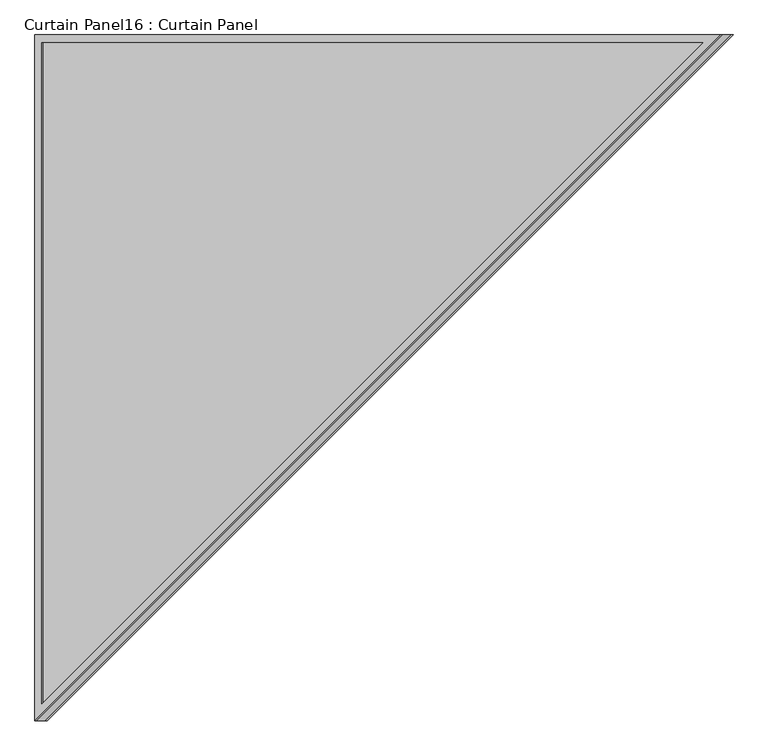
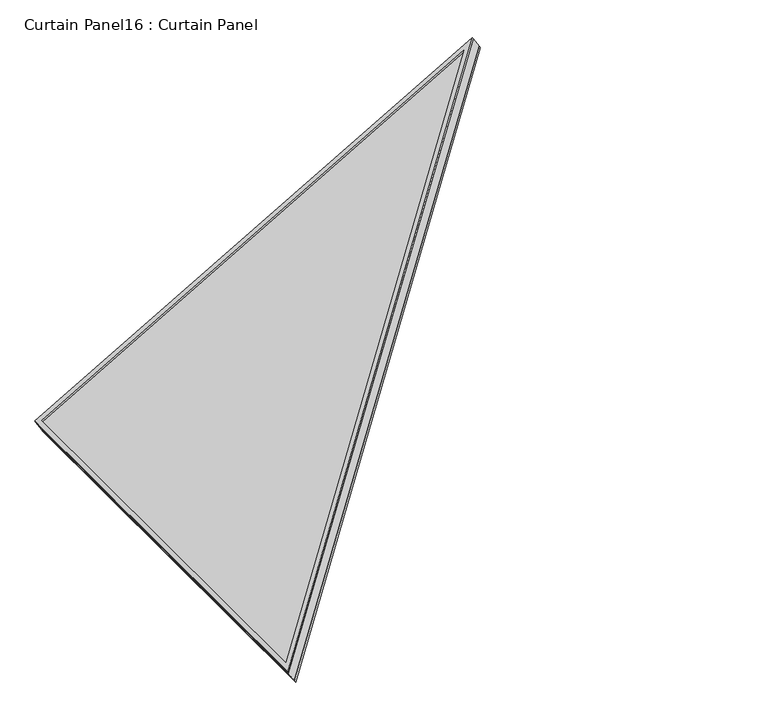
"""IFC4 building model written with IfcOpenShell, lengths in millimetres: plate geometry, Curtain Panel16 : Curtain Panel."""

from ifc_helpers import new_model, si_unit, frame, origin, place, context, project, spatial, polyline, outline, extrude, source, transform, mapped, element, save


def curtain_panel16_curtain_panel_4534c582(model_context):
    return source(origin(), model_context, "Body", "SweptSolid", [
        extrude(outline(polyline([(1284.5558134, -12.7), (-34.0642674, -12.7), (1284.5558134, 1129.2584878), (1284.5558134, -12.7)]), holes=[polyline([(1271.8558134, 0.0), (1271.8558134, 1101.4594444), (0.0, 0.0), (1271.8558134, 0.0)])]), frame((-10852.9904011, 6049.8537369, 637.5920597), z_axis=(-0.49999999999999944, 0.0, 0.866025403784439), x_axis=(-0.866025403784439, 0.0, -0.49999999999999944)), (0.0, 0.0, 1.0), 4.8169213),
        extrude(outline(polyline([(1284.5558134, -12.7), (-34.0642673, -12.7), (1284.5558134, 1129.2584878), (1284.5558134, -12.7)]), holes=[polyline([(1271.8558134, 0.0), (1271.8558134, 1101.4594444), (0.0, 0.0), (1271.8558134, 0.0)])]), frame((-10834.5629242, 6049.8537369, 605.6747336), z_axis=(-0.49999999999999944, 0.0, 0.866025403784439), x_axis=(-0.866025403784439, 0.0, -0.49999999999999944)), (0.0, 0.0, 1.0), 6.6924537),
        extrude(outline(polyline([(64.5415122, 0.0), (1206.5, 0.0), (1206.5, -1318.6200807), (64.5415122, 0.0)])), frame((-11950.3671181, 4856.0537369, -30.8073382), z_axis=(-0.49999999999999867, 0.0, 0.8660254037844395), x_axis=(0.0, 1.0, 0.0)), (0.0, 0.0, 1.0), 30.1625),
    ])


if __name__ == "__main__":
    model = new_model("IFC4")
    model_context = context("Model", 3, world=origin())
    ifc_project = project(units=[si_unit("LENGTHUNIT", "METRE", prefix="MILLI")], contexts=[model_context])
    site = spatial("IfcSite", under=ifc_project)
    building = spatial("IfcBuilding", under=site)
    placement = place(None, origin())
    curtain_panel16_curtain_panel_shape = curtain_panel16_curtain_panel_4534c582(model_context)
    element("IfcPlate", 1, ObjectType="Curtain Panel16 : Curtain Panel", at=placement, inside=building, context=model_context, shape_type="MappedRepresentation", body=[
        mapped(curtain_panel16_curtain_panel_shape, transform((0.0, 0.0, 0.0), x_axis=(1.0, 0.0, 0.0), y_axis=(0.0, 1.0, 0.0), z_axis=(0.0, 0.0, 1.0))),
    ])
    save(model, "model.ifc")
